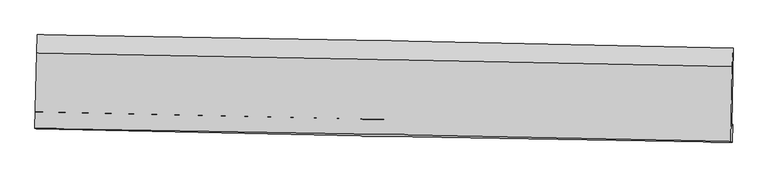
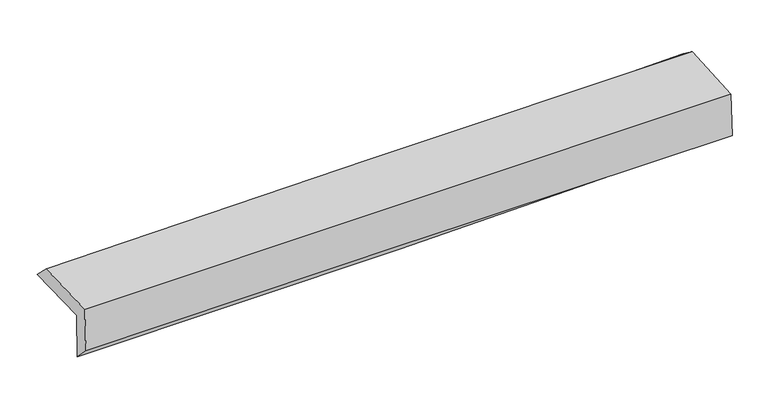
"""IFC4 building model written with IfcOpenShell, lengths in millimetres: proxy geometry."""

import ifcopenshell
import ifcopenshell.guid

model = None  # the IFC model being written
_history = None  # IfcOwnerHistory: only IFC2X3 demands one
_inside = {}  # id of a spatial element -> (the spatial element, [elements in it])
_under = {}  # id of a project, library or spatial element -> (it, [spatial elements below it])
_declared = {}  # id of a project -> (the project, [libraries it declares])
_typed = {}  # id of a type object -> (the type object, [elements of that type])
_made_of = {}  # id of a material, layer set ... -> (it, [elements and type objects made of it])


def new_model(schema):
    """Start an empty IFC model of exactly this schema.

    Asked for "IFC4X3", IfcOpenShell would pick the latest addendum, in which some entities
    have other attributes; the version numbers below select the first issue.
    IFC2X3 requires an IfcOwnerHistory on every rooted entity: one is made here for all.
    """
    global model, _history
    if schema == "IFC4X3":
        model = ifcopenshell.file(schema_version=(4, 3, 0, 0))
    else:
        model = ifcopenshell.file(schema=schema)
    _inside.clear()
    _under.clear()
    _declared.clear()
    _typed.clear()
    _made_of.clear()
    _history = None
    if model.schema == "IFC2X3":
        org = make("IfcOrganization", Name="unknown")
        user = make(
            "IfcPersonAndOrganization",
            ThePerson=make("IfcPerson", FamilyName="unknown"),
            TheOrganization=org,
        )
        app = make(
            "IfcApplication",
            ApplicationDeveloper=org,
            Version="unknown",
            ApplicationFullName="unknown",
            ApplicationIdentifier="unknown",
        )
        _history = make(
            "IfcOwnerHistory",
            OwningUser=user,
            OwningApplication=app,
            ChangeAction="ADDED",
            CreationDate=0,
        )
    return model


def make(cls, **values):
    """One entity of the class cls with the attributes given. An attribute that is None is left unset."""
    return model.create_entity(
        cls, **{name: value for name, value in values.items() if value is not None}
    )


def rooted(cls, **values):
    """An entity with a GlobalId (a new one), such as an element, a storey or a relation."""
    return make(cls, GlobalId=ifcopenshell.guid.new(), OwnerHistory=_history, **values)


def si_unit(unit_type, name, prefix=None):
    """IfcSIUnit, for example si_unit("LENGTHUNIT", "METRE", prefix="MILLI")."""
    return make("IfcSIUnit", UnitType=unit_type, Prefix=prefix, Name=name)


def assignment(units):
    """IfcUnitAssignment: the units of a project."""
    return None if units is None else make("IfcUnitAssignment", Units=units)


def point(xyz):
    """IfcCartesianPoint."""
    return None if xyz is None else make("IfcCartesianPoint", Coordinates=xyz)


def direction(xyz):
    """IfcDirection."""
    return None if xyz is None else make("IfcDirection", DirectionRatios=xyz)


def frame(location, z_axis=None, x_axis=None):
    """IfcAxis2Placement3D, a coordinate frame: its origin and axes. An axis left out is left unset."""
    return make(
        "IfcAxis2Placement3D",
        Location=point(location),
        Axis=direction(z_axis),
        RefDirection=direction(x_axis),
    )


def origin():
    """The frame at (0, 0, 0) with its axes left unset."""
    return frame((0.0, 0.0, 0.0))


def place(relative_to, where):
    """IfcLocalPlacement: puts the frame where relative to a parent placement (None: the world)."""
    return make(
        "IfcLocalPlacement", PlacementRelTo=relative_to, RelativePlacement=where
    )


def context(
    kind, dimensions, precision=None, world=None, true_north=None, identifier=None
):
    """IfcGeometricRepresentationContext, for example the 3D "Model" context."""
    return make(
        "IfcGeometricRepresentationContext",
        ContextIdentifier=identifier,
        ContextType=kind,
        CoordinateSpaceDimension=dimensions,
        Precision=precision,
        WorldCoordinateSystem=world,
        TrueNorth=true_north,
    )


def project(units=None, contexts=None):
    """IfcProject with its units and contexts."""
    return rooted(
        "IfcProject",
        Name="project",
        RepresentationContexts=contexts,
        UnitsInContext=assignment(units),
    )


def spatial(cls, under=None, at=None, **own):
    """A site, building, storey or space (cls), placed at a placement, below another one or the project."""
    s = rooted(cls, ObjectPlacement=at, **own)
    if under is not None:
        _under.setdefault(under.id(), (under, []))[1].append(s)
    return s


def shape(context_of_items, identifier, shape_type, items):
    """IfcShapeRepresentation: the items that make up one representation, for example the "Body"."""
    return make(
        "IfcShapeRepresentation",
        ContextOfItems=context_of_items,
        RepresentationIdentifier=identifier,
        RepresentationType=shape_type,
        Items=items,
    )


def source(mapping_origin, context_of_items, identifier, shape_type, items):
    """IfcRepresentationMap: a shape defined once, which mapped items show again and again."""
    return make(
        "IfcRepresentationMap",
        MappingOrigin=mapping_origin,
        MappedRepresentation=shape(context_of_items, identifier, shape_type, items),
    )


def transform(
    local_origin,
    x_axis=None,
    y_axis=None,
    z_axis=None,
    scale=None,
    scale2=None,
    scale3=None,
    uniform=True,
):
    """IfcCartesianTransformationOperator3D, or its non-uniform kind. x_axis, y_axis, z_axis: its Axis1, 2, 3."""
    if uniform:
        return make(
            "IfcCartesianTransformationOperator3D",
            Axis1=direction(x_axis),
            Axis2=direction(y_axis),
            LocalOrigin=point(local_origin),
            Scale=scale,
            Axis3=direction(z_axis),
        )
    return make(
        "IfcCartesianTransformationOperator3DnonUniform",
        Axis1=direction(x_axis),
        Axis2=direction(y_axis),
        LocalOrigin=point(local_origin),
        Scale=scale,
        Axis3=direction(z_axis),
        Scale2=scale2,
        Scale3=scale3,
    )


def mapped(mapping_source, mapping_target):
    """IfcMappedItem: shows the shape of a source again, moved by a transform."""
    return make(
        "IfcMappedItem", MappingSource=mapping_source, MappingTarget=mapping_target
    )


def made_of(thing, what):
    """Note that an element or type object is made of a material, layer set ...; save() writes the relation."""
    if what is not None:
        _made_of.setdefault(what.id(), (what, []))[1].append(thing)
    return thing


def element(
    cls,
    number,
    at=None,
    inside=None,
    cuts=None,
    type_object=None,
    material=None,
    context=None,
    identifier="Body",
    shape_type=None,
    held_by="IfcProductDefinitionShape",
    body=None,
    shapes=None,
    **own,
):
    """One element of the class cls, such as IfcWall. Its Tag is "e" and its number.

    at: its placement. inside: the storey or other place that contains it. cuts: it is an
    opening in that element (IfcRelVoidsElement). A single representation is given by context,
    identifier, shape_type and body (its items); several are given by shapes. held_by: the class
    of the entity that holds the representations. save() writes the other relations.
    """
    e = rooted(cls, Tag="e%d" % number, ObjectPlacement=at, **own)
    if body is not None:
        shapes = [shape(context, identifier, shape_type, body)]
    if shapes is not None:
        e.Representation = make(held_by, Representations=shapes)
    if inside is not None:
        _inside.setdefault(inside.id(), (inside, []))[1].append(e)
    if cuts is not None:
        rooted(
            "IfcRelVoidsElement", RelatingBuildingElement=cuts, RelatedOpeningElement=e
        )
    if type_object is not None:
        _typed.setdefault(type_object.id(), (type_object, []))[1].append(e)
    return made_of(e, material)


def aggregate(whole, parts):
    """IfcRelAggregates: a whole, such as a stair, and the parts it consists of."""
    return rooted("IfcRelAggregates", RelatingObject=whole, RelatedObjects=parts)


def save(model, path):
    """Write the relations noted so far, then the file.

    IfcRelAggregates (storeys below a building ...), IfcRelContainedInSpatialStructure (elements
    in a storey), IfcRelDefinesByType, IfcRelAssociatesMaterial and IfcRelDeclares: one each for
    every whole, place, type object, material and project.
    """
    for whole, parts in _under.values():
        aggregate(whole, parts)
    for where, things in _inside.values():
        rooted(
            "IfcRelContainedInSpatialStructure",
            RelatedElements=things,
            RelatingStructure=where,
        )
    for kind, things in _typed.values():
        rooted("IfcRelDefinesByType", RelatedObjects=things, RelatingType=kind)
    for what, things in _made_of.values():
        rooted("IfcRelAssociatesMaterial", RelatedObjects=things, RelatingMaterial=what)
    for by, libraries in _declared.values():
        rooted("IfcRelDeclares", RelatingContext=by, RelatedDefinitions=libraries)
    model.write(path)


def plane_surface(at):
    """IfcPlane: the flat surface through the origin of the frame at, square to its z axis."""
    return make("IfcPlane", Position=at)


def spline_curve(degree, points, multiplicities, knots, weights=None):
    """IfcBSplineCurveWithKnots; with weights, IfcRationalBSplineCurveWithKnots."""
    own = dict(
        Degree=degree,
        ControlPointsList=[point(p) for p in points],
        CurveForm="UNSPECIFIED",
        ClosedCurve=False,
        SelfIntersect=False,
        KnotMultiplicities=multiplicities,
        Knots=knots,
        KnotSpec="UNSPECIFIED",
    )
    if weights is None:
        return make("IfcBSplineCurveWithKnots", **own)
    return make("IfcRationalBSplineCurveWithKnots", WeightsData=weights, **own)


def spline_surface(u_degree, v_degree, points, u_multiplicities, v_multiplicities, u_knots, v_knots, weights=None):
    """IfcBSplineSurfaceWithKnots; with weights, IfcRationalBSplineSurfaceWithKnots. points: one row for each step in u."""
    own = dict(
        UDegree=u_degree,
        VDegree=v_degree,
        ControlPointsList=[[point(p) for p in row] for row in points],
        SurfaceForm="UNSPECIFIED",
        UClosed=False,
        VClosed=False,
        SelfIntersect=False,
        UMultiplicities=u_multiplicities,
        VMultiplicities=v_multiplicities,
        UKnots=u_knots,
        VKnots=v_knots,
        KnotSpec="UNSPECIFIED",
    )
    if weights is None:
        return make("IfcBSplineSurfaceWithKnots", **own)
    return make("IfcRationalBSplineSurfaceWithKnots", WeightsData=weights, **own)


def advanced_brep(points, edges, surfaces, faces):
    """IfcAdvancedBrep: a solid bounded by faces that lie on surfaces and meet in shared edges.

    An edge is (start, end): straight between two places in points (the first is 0);
    or (start, end, curve); or (start, end, curve, False) where it runs against its curve.
    A face is (place in surfaces, loops), or (place, loops, False) where it looks against
    its surface's normal. A loop lists edges by number (the first is 1), with a minus sign
    where the edge is run from its end to its start. The first loop is the outer one.
    """
    corners = [point(p) for p in points]
    vertices = [make("IfcVertexPoint", VertexGeometry=c) for c in corners]
    made = []
    for start, end, *more in edges:
        made.append(
            make(
                "IfcEdgeCurve",
                EdgeStart=vertices[start],
                EdgeEnd=vertices[end],
                EdgeGeometry=more[0] if more else make("IfcPolyline", Points=[corners[start], corners[end]]),
                SameSense=more[1] if len(more) > 1 else True,
            )
        )
    hull = []
    for where, loops, *sense in faces:
        bounds = []
        for j, loop in enumerate(loops):
            ring = [make("IfcOrientedEdge", EdgeElement=made[abs(k) - 1], Orientation=k > 0) for k in loop]
            bounds.append(
                make(
                    "IfcFaceOuterBound" if j == 0 else "IfcFaceBound",
                    Bound=make("IfcEdgeLoop", EdgeList=ring),
                    Orientation=True,
                )
            )
        hull.append(make("IfcAdvancedFace", Bounds=bounds, FaceSurface=surfaces[where], SameSense=sense[0] if sense else True))
    return make("IfcAdvancedBrep", Outer=make("IfcClosedShell", CfsFaces=hull))


def generic_models_5dad22bf(model_context):
    return source(origin(), model_context, "Body", "AdvancedBrep", [
        advanced_brep(
        [(-3019.5351189, -1740.4335466, 1966.6090063), (-3004.6528439, -1073.9967177, 1964.7767907), (3008.7362243, -1188.9537208, 2128.6842188), (2995.5348053, -1864.5164416, 2114.9386826), (-3009.5375772, -1738.6600728, 1546.7317576), (3005.5041336, -1852.2741726, 1705.0859289), (-3016.4882502, -1889.1946605, 1698.4772112), (2999.9339411, -2004.6665501, 1811.24223), (-3026.3511465, -1886.3967766, 2116.9689361), (2990.4350044, -1995.6247359, 2219.2321928), (-3011.7476707, -1232.4447356, 2115.1710446), (3002.7369162, -1350.391198, 2245.2929715)],
        [
            (0, 1),
            (1, 2, spline_curve(3, [(-3004.6528439, -1073.9967177, 1964.7767907), (-2002.053066754, -1088.796010511, 1965.869518441), (-999.813658055, -1105.771269466, 1980.065414499), (1004.64987233, -1144.087205417, 2034.682765093), (2006.873486152, -1165.430947001, 2075.122678134), (3008.7362243, -1188.9537208, 2128.6842188)], [4, 2, 4], [0.0, 9.868567611088539, 19.74408394108878])),
            (2, 3),
            (3, 0, spline_curve(3, [(2995.5348053, -1864.5164416, 2114.9386826), (1993.226301158, -1846.434656273, 2065.798592634), (990.639712712, -1827.049424842, 2028.86768628), (-1014.383986292, -1785.686625952, 1979.441636489), (-2016.82070617, -1763.710892622, 1966.929317307), (-3019.5351189, -1740.4335466, 1966.6090063)], [4, 2, 4], [0.0, 9.87551633000024, 19.74408394108878])),
            (4, 0),
            (3, 5),
            (5, 4, spline_curve(3, [(3005.5041336, -1852.2741726, 1705.0859289), (2003.022767531, -1833.185102058, 1664.362795932), (1000.352131632, -1814.169419233, 1630.802924581), (-1004.662038565, -1776.298155553, 1578.028277891), (-2007.005305899, -1757.442472184, 1558.803425611), (-3009.5375772, -1738.6600728, 1546.7317576)], [4, 2, 4], [0.0, 9.876356487183209, 19.745763664294124])),
            (6, 4),
            (5, 7),
            (7, 6, spline_curve(3, [(2999.9339411, -2004.6665501, 1811.24223), (1996.640134878, -1989.022051132, 1799.562587925), (993.448300419, -1971.573122629, 1784.321121967), (-1012.025620148, -1933.07995423, 1746.72777161), (-2014.307849252, -1912.038252935, 1724.380898133), (-3016.4882502, -1889.1946605, 1698.4772112)], [4, 2, 4], [0.0, 9.876114168839754, 19.7452791981099])),
            (8, 6),
            (7, 9),
            (9, 8, spline_curve(3, [(2990.4350044, -1995.6247359, 2219.2321928), (1987.43601268, -1975.66637969, 2199.160722933), (984.361181969, -1956.581975621, 2180.600582641), (-1021.234308113, -1920.173885616, 2146.51495643), (-2023.754861454, -1902.848969697, 2130.987344531), (-3026.3511465, -1886.3967766, 2116.9689361)], [4, 2, 4], [0.0, 9.876535550611527, 19.74612166515619])),
            (10, 8),
            (9, 11),
            (11, 10, spline_curve(3, [(3002.7369162, -1350.391198, 2245.2929715), (1999.878374617, -1328.456903304, 2230.019344199), (997.065676879, -1307.657824279, 2211.534090347), (-1007.762454287, -1268.343933624, 2168.155596649), (-2009.777952131, -1249.827525138, 2143.266874675), (-3011.7476707, -1232.4447356, 2115.1710446)], [4, 2, 4], [0.0, 9.875251785550793, 19.743555038331547])),
            (1, 10),
            (11, 2),
        ],
        [
            spline_surface(3, 3, [[(-3019.5351189, -1740.4335466, 1966.6090063), (-2016.820706066, -1763.710892692, 1966.929317254), (-1014.38398642, -1785.686626059, 1979.441636405), (990.63971284, -1827.049424735, 2028.867686364), (1993.226301274, -1846.434656306, 2065.798592646), (2995.5348053, -1864.5164416, 2114.9386826)], [(-3014.57436057, -1518.287936979, 1965.998267795), (-2011.898159667, -1538.739265304, 1966.576051054), (-1009.527210296, -1559.048173896, 1979.649562465), (995.309766015, -1599.395351567, 2030.806045864), (1997.775362949, -1619.433419919, 2068.90662119), (2999.935278312, -1639.328867997, 2119.520528008)], [(-3009.61360223, -1296.142327321, 1965.387529205), (-2006.975613258, -1313.76763788, 1966.222784768), (-1004.670434193, -1332.409721775, 1979.857488597), (999.979819168, -1371.74127844, 2032.744405435), (2002.324424591, -1392.432183541, 2072.014649708), (3004.335751288, -1414.141294403, 2124.102373392)], [(-3004.6528439, -1073.9967177, 1964.7767907), (-2002.053066859, -1088.796010493, 1965.869518568), (-999.813658068, -1105.771269612, 1980.065414657), (1004.649872343, -1144.087205272, 2034.682764934), (2006.873486267, -1165.430947154, 2075.122678252), (3008.7362243, -1188.9537208, 2128.6842188)]], [4, 4], [4, 2, 4], [0.0, 2.236211575693009], [0.0, 9.868567611088539, 19.74408394108878]),
            spline_surface(3, 3, [[(-3009.5375772, -1738.6600728, 1546.7317576), (-2007.005305763, -1757.442472234, 1558.803425549), (-1004.662038407, -1776.298155708, 1578.028277863), (1000.352131473, -1814.169419077, 1630.802924609), (2003.022767675, -1833.185102187, 1664.362796026), (3005.5041336, -1852.2741726, 1705.0859289)], [(-3012.870091079, -1739.251230719, 1686.690840491), (-2010.277105842, -1759.531945706, 1694.845389441), (-1007.902687752, -1779.427645831, 1711.832730732), (997.114658589, -1818.462754302, 1763.491178549), (1999.757278869, -1837.601620235, 1798.174728206), (3002.18102416, -1856.354928942, 1841.70351344)], [(-3016.202605021, -1739.842388681, 1826.649923409), (-2013.548905986, -1761.62141922, 1830.887353362), (-1011.143337075, -1782.557135936, 1845.637183536), (993.877185725, -1822.75608951, 1896.179432424), (1996.49179008, -1842.018138258, 1931.986660466), (2998.85791474, -1860.435685258, 1978.32109806)], [(-3019.5351189, -1740.4335466, 1966.6090063), (-2016.820706066, -1763.710892692, 1966.929317254), (-1014.38398642, -1785.686626059, 1979.441636405), (990.63971284, -1827.049424735, 2028.867686364), (1993.226301274, -1846.434656306, 2065.798592646), (2995.5348053, -1864.5164416, 2114.9386826)]], [4, 4], [4, 2, 4], [0.0, 1.3123720376084815], [0.0, 9.869407177110915, 19.745763664294124]),
            spline_surface(3, 3, [[(-3016.4882502, -1889.1946605, 1698.4772112), (-2014.307849317, -1912.038252832, 1724.380898216), (-1012.025620011, -1933.0799543, 1746.727771667), (993.448300281, -1971.573122559, 1784.32112191), (1996.640134789, -1989.022050995, 1799.562588085), (2999.9339411, -2004.6665501, 1811.24223)], [(-3014.171359224, -1839.016464592, 1647.895393324), (-2011.873668156, -1860.506325958, 1669.188407318), (-1009.571092808, -1880.819354775, 1690.494607058), (995.749577347, -1919.105221404, 1733.148389469), (1998.767679105, -1937.076401412, 1754.495990753), (3001.790671954, -1953.869090953, 1775.856796321)], [(-3011.854468176, -1788.838268708, 1597.313575476), (-2009.439486923, -1808.974399107, 1613.995916447), (-1007.11656561, -1828.558755233, 1634.261442472), (998.050854408, -1866.637320232, 1681.97565705), (2000.895223359, -1885.13075177, 1709.429393358), (3003.647402746, -1903.071631747, 1740.471362579)], [(-3009.5375772, -1738.6600728, 1546.7317576), (-2007.005305763, -1757.442472234, 1558.803425549), (-1004.662038407, -1776.298155708, 1578.028277863), (1000.352131473, -1814.169419077, 1630.802924609), (2003.022767675, -1833.185102187, 1664.362796026), (3005.5041336, -1852.2741726, 1705.0859289)]], [4, 4], [4, 2, 4], [0.0, 0.7386148211761909], [0.0, 9.869165029270144, 19.7452791981099]),
            spline_surface(3, 3, [[(-3026.3511465, -1886.3967766, 2116.9689361), (-2023.754861417, -1902.84896973, 2130.987344661), (-1021.234308224, -1920.173885459, 2146.514956461), (984.36118208, -1956.581975778, 2180.60058261), (1987.436012553, -1975.666379818, 2199.160723037), (2990.4350044, -1995.6247359, 2219.2321928)], [(-3023.063514395, -1887.329404584, 1977.471694483), (-2020.605857378, -1905.912064114, 1995.451862529), (-1018.164745488, -1924.475908387, 2013.252561537), (987.390221479, -1961.579024686, 2048.507429051), (1990.504053297, -1980.118270209, 2065.961344719), (2993.601316631, -1998.638673966, 2083.235538533)], [(-3019.775882305, -1888.262032516, 1837.974452817), (-2017.456853356, -1908.975158447, 1859.916380348), (-1015.095182747, -1928.777931372, 1879.990166591), (990.419260883, -1966.576073651, 1916.414275469), (1993.572094046, -1984.570160603, 1932.761966402), (2996.767628869, -2001.652612034, 1947.238884267)], [(-3016.4882502, -1889.1946605, 1698.4772112), (-2014.307849317, -1912.038252832, 1724.380898216), (-1012.025620011, -1933.0799543, 1746.727771667), (993.448300281, -1971.573122559, 1784.32112191), (1996.640134789, -1989.022050995, 1799.562588085), (2999.9339411, -2004.6665501, 1811.24223)]], [4, 4], [4, 2, 4], [0.0, 1.3070258884242558], [0.0, 9.869586114544662, 19.74612166515619]),
            spline_surface(3, 3, [[(-3011.7476707, -1232.4447356, 2115.1710446), (-2009.777951994, -1249.827525274, 2143.266874797), (-1007.762454278, -1268.343933705, 2168.155596674), (997.06567687, -1307.657824198, 2211.534090322), (1999.878374775, -1328.456903213, 2230.019344067), (3002.7369162, -1350.391198, 2245.2929715)], [(-3016.615495967, -1450.428749253, 2115.770341749), (-2014.436921802, -1467.501340079, 2139.173698068), (-1012.253072266, -1485.620584293, 2160.942049924), (992.830845268, -1523.965874728, 2201.222921073), (1995.730920678, -1544.19339539, 2219.733137037), (2998.63627891, -1565.469043941, 2236.606045247)], [(-3021.483321233, -1668.412762947, 2116.369638951), (-2019.095891608, -1685.175154925, 2135.08052139), (-1016.743690236, -1702.897234871, 2153.728503211), (988.596013683, -1740.273925248, 2190.911751859), (1991.583466651, -1759.929887641, 2209.446930066), (2994.53564169, -1780.546889959, 2227.919119053)], [(-3026.3511465, -1886.3967766, 2116.9689361), (-2023.754861417, -1902.84896973, 2130.987344661), (-1021.234308224, -1920.173885459, 2146.514956461), (984.36118208, -1956.581975778, 2180.60058261), (1987.436012553, -1975.666379818, 2199.160723037), (2990.4350044, -1995.6247359, 2219.2321928)]], [4, 4], [4, 2, 4], [0.0, 2.1359539050816743], [0.0, 9.868303252780754, 19.743555038331547]),
            spline_surface(3, 3, [[(-3004.6528439, -1073.9967177, 1964.7767907), (-2002.053066859, -1088.796010493, 1965.869518568), (-999.813658068, -1105.771269612, 1980.065414657), (1004.649872343, -1144.087205272, 2034.682764934), (2006.873486267, -1165.430947154, 2075.122678252), (3008.7362243, -1188.9537208, 2128.6842188)], [(-3007.017786165, -1126.812723673, 2014.908208658), (-2004.628028569, -1142.473182093, 2025.001970636), (-1002.463256799, -1159.96215766, 2042.76214201), (1002.121807191, -1198.610744931, 2093.633206744), (2004.541782435, -1219.772932508, 2126.754900208), (3006.736454932, -1242.766213201, 2167.55380305)], [(-3009.382728435, -1179.628729627, 2065.039626642), (-2007.202990284, -1196.150353673, 2084.134422729), (-1005.112855548, -1214.153045656, 2105.458869321), (999.593742021, -1253.134284538, 2152.583648513), (2002.210078607, -1274.114917859, 2178.387122112), (3004.736685568, -1296.578705599, 2206.42338725)], [(-3011.7476707, -1232.4447356, 2115.1710446), (-2009.777951994, -1249.827525274, 2143.266874797), (-1007.762454278, -1268.343933705, 2168.155596674), (997.06567687, -1307.657824198, 2211.534090322), (1999.878374775, -1328.456903213, 2230.019344067), (3002.7369162, -1350.391198, 2245.2929715)]], [4, 4], [4, 2, 4], [0.0, 0.8032828220888393], [0.0, 9.866858864841046, 19.74066524542046]),
            plane_surface(frame((3000.4801708, -1709.4044698, 2037.4127041), z_axis=(0.9995184027457259, -0.020014472519057223, 0.023714625496030338), x_axis=(0.023270261892553632, -0.022150414425340142, -0.9994837937916942))),
            plane_surface(frame((-3014.7187679, -1593.521085, 1901.4557911), z_axis=(-0.9994712961031613, 0.022254135897472393, -0.023704043986707796), x_axis=(-0.022325461013704664, -0.9997469775515134, 0.002748575474542308))),
        ],
        [
            (0, [[1, 2, 3, 4]]),
            (1, [[5, -4, 6, 7]]),
            (2, [[8, -7, 9, 10]]),
            (3, [[11, -10, 12, 13]]),
            (4, [[14, -13, 15, 16]]),
            (5, [[17, -16, 18, -2]]),
            (6, [[-12, -9, -6, -3, -18, -15]]),
            (7, [[-1, -5, -8, -11, -14, -17]]),
        ],
    ),
    ])


if __name__ == "__main__":
    model = new_model("IFC4")
    model_context = context("Model", 3, world=origin())
    ifc_project = project(units=[si_unit("LENGTHUNIT", "METRE", prefix="MILLI")], contexts=[model_context])
    site = spatial("IfcSite", under=ifc_project)
    building = spatial("IfcBuilding", under=site)
    placement = place(None, origin())
    generic_models_shape = generic_models_5dad22bf(model_context)
    element("IfcBuildingElementProxy", 1, Name="Generic Models", at=placement, inside=building, context=model_context, shape_type="MappedRepresentation", body=[
        mapped(generic_models_shape, transform((0.0, 0.0, 0.0), x_axis=(1.0, 0.0, 0.0), y_axis=(0.0, 1.0, 0.0), z_axis=(0.0, 0.0, 1.0))),
    ])
    save(model, "model.ifc")
